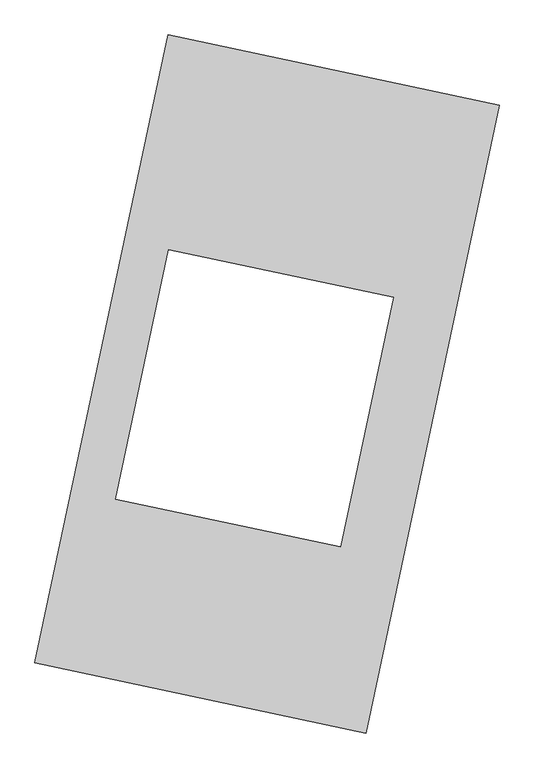
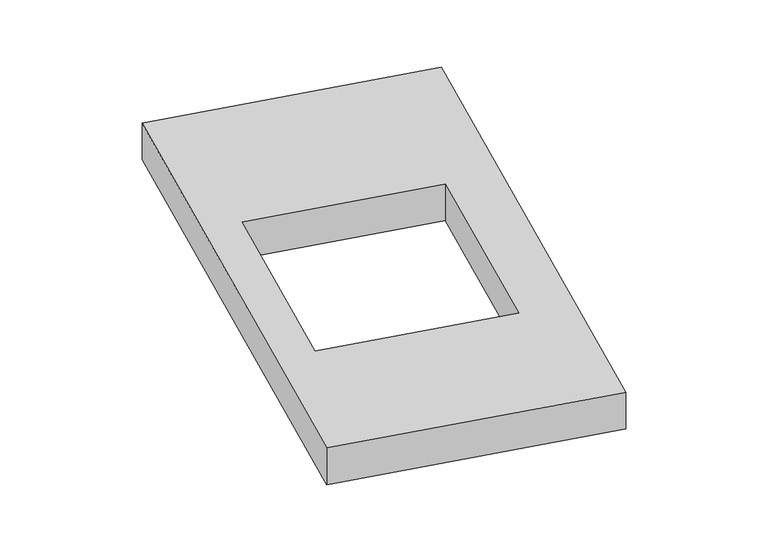
"""IFC4 building model written with IfcOpenShell, lengths in millimetres: proxy geometry."""

from ifc_helpers import new_model, si_unit, origin, origin_with_axes, place, context, project, spatial, polyline, outline, extrude, source, transform, mapped, element, save


def generic_models_93065f6b(model_context):
    return source(origin(), model_context, "Body", "SweptSolid", [
        extrude(outline(polyline([(-617.3692021, 2175.5580432), (1447.7508745, 1737.3010494), (617.3692021, -2175.5580432), (-1447.7508745, -1737.3010494), (-617.3692021, 2175.5580432)]), holes=[polyline([(787.1739583, 540.4465972), (-614.6663623, 837.9432568), (-944.6167117, -716.8227836), (457.2236088, -1014.3194433), (787.1739583, 540.4465972)])]), origin_with_axes(), (0.0, 0.0, 1.0), 300.0),
    ])


if __name__ == "__main__":
    model = new_model("IFC4")
    model_context = context("Model", 3, world=origin())
    ifc_project = project(units=[si_unit("LENGTHUNIT", "METRE", prefix="MILLI")], contexts=[model_context])
    site = spatial("IfcSite", under=ifc_project)
    building = spatial("IfcBuilding", under=site)
    placement = place(None, origin())
    generic_models_shape = generic_models_93065f6b(model_context)
    element("IfcBuildingElementProxy", 1, Name="Generic Models", at=placement, inside=building, context=model_context, shape_type="MappedRepresentation", body=[
        mapped(generic_models_shape, transform((0.0, 0.0, 0.0), x_axis=(1.0, 0.0, 0.0), y_axis=(0.0, 1.0, 0.0), z_axis=(0.0, 0.0, 1.0))),
    ])
    save(model, "model.ifc")
